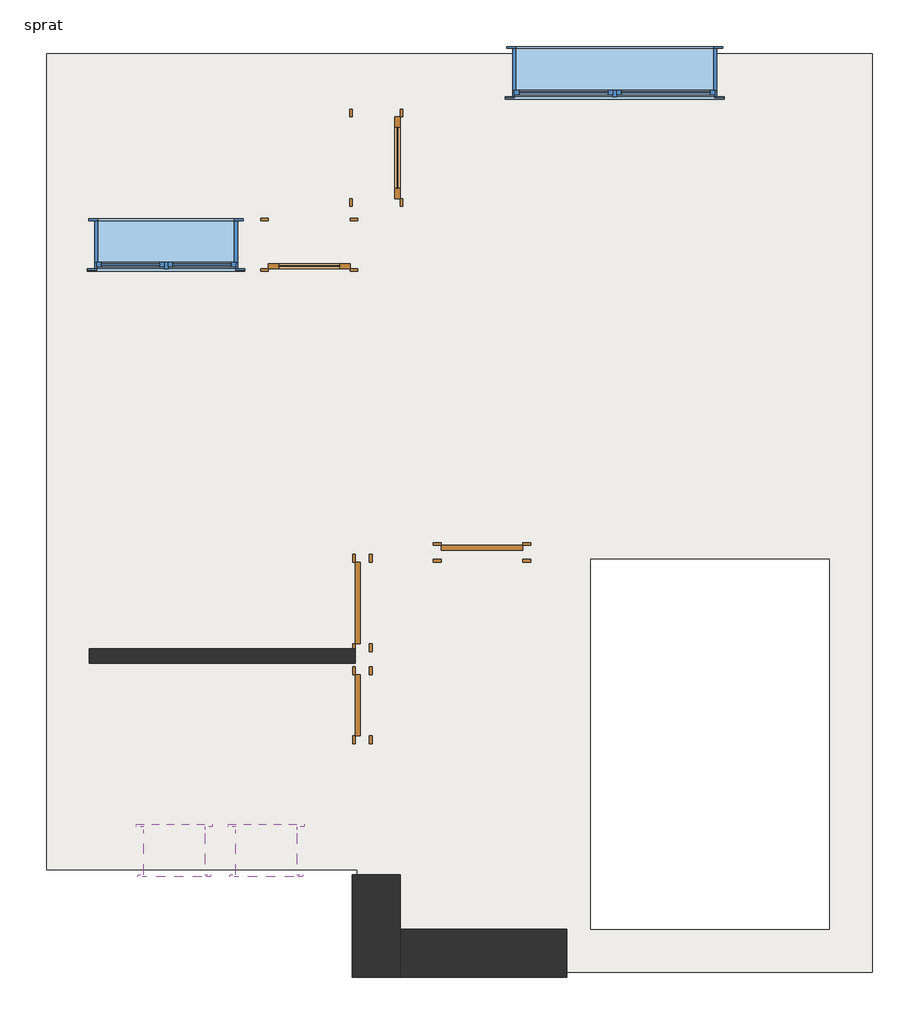
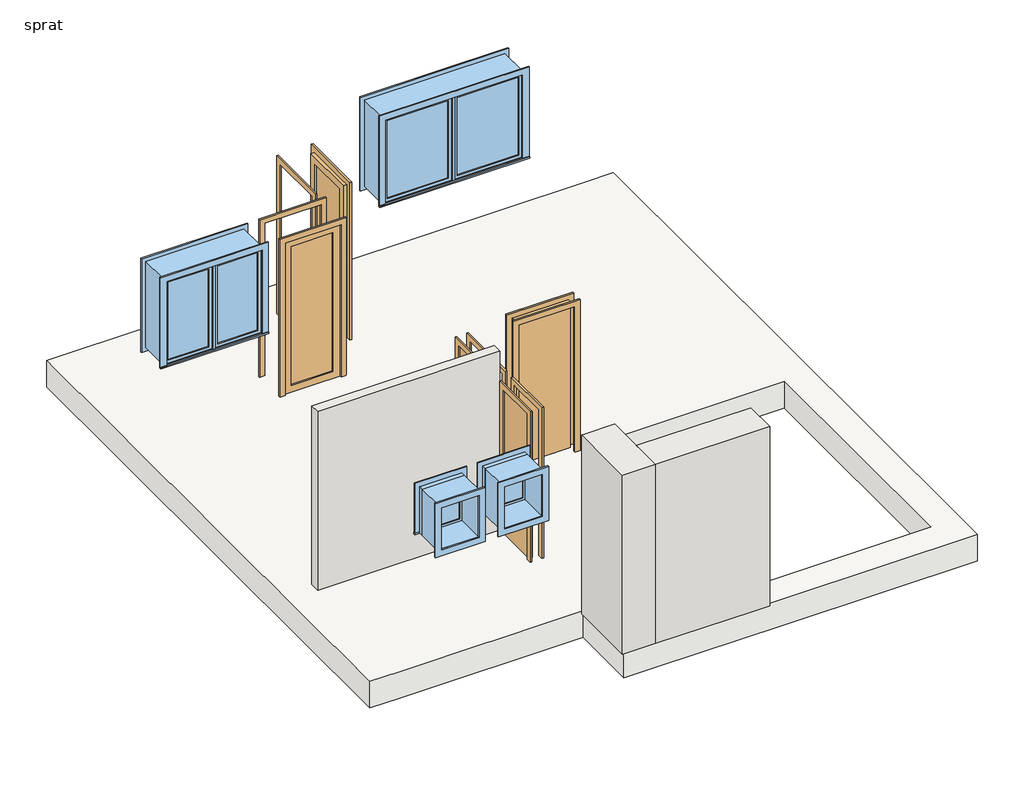
# One storey: 5 doors, 4 windows, 3 walls, 1 slab.
"""IFC4 building model written with IfcOpenShell, lengths in millimetres."""

import ifcopenshell
import ifcopenshell.guid

model = None  # the IFC model being written
_history = None  # IfcOwnerHistory: only IFC2X3 demands one
_inside = {}  # id of a spatial element -> (the spatial element, [elements in it])
_under = {}  # id of a project, library or spatial element -> (it, [spatial elements below it])
_declared = {}  # id of a project -> (the project, [libraries it declares])
_typed = {}  # id of a type object -> (the type object, [elements of that type])
_made_of = {}  # id of a material, layer set ... -> (it, [elements and type objects made of it])


def new_model(schema):
    """Start an empty IFC model of exactly this schema.

    Asked for "IFC4X3", IfcOpenShell would pick the latest addendum, in which some entities
    have other attributes; the version numbers below select the first issue.
    IFC2X3 requires an IfcOwnerHistory on every rooted entity: one is made here for all.
    """
    global model, _history
    if schema == "IFC4X3":
        model = ifcopenshell.file(schema_version=(4, 3, 0, 0))
    else:
        model = ifcopenshell.file(schema=schema)
    _inside.clear()
    _under.clear()
    _declared.clear()
    _typed.clear()
    _made_of.clear()
    _history = None
    if model.schema == "IFC2X3":
        org = make("IfcOrganization", Name="unknown")
        user = make(
            "IfcPersonAndOrganization",
            ThePerson=make("IfcPerson", FamilyName="unknown"),
            TheOrganization=org,
        )
        app = make(
            "IfcApplication",
            ApplicationDeveloper=org,
            Version="unknown",
            ApplicationFullName="unknown",
            ApplicationIdentifier="unknown",
        )
        _history = make(
            "IfcOwnerHistory",
            OwningUser=user,
            OwningApplication=app,
            ChangeAction="ADDED",
            CreationDate=0,
        )
    return model


def make(cls, **values):
    """One entity of the class cls with the attributes given. An attribute that is None is left unset."""
    return model.create_entity(
        cls, **{name: value for name, value in values.items() if value is not None}
    )


def rooted(cls, **values):
    """An entity with a GlobalId (a new one), such as an element, a storey or a relation."""
    return make(cls, GlobalId=ifcopenshell.guid.new(), OwnerHistory=_history, **values)


def si_unit(unit_type, name, prefix=None):
    """IfcSIUnit, for example si_unit("LENGTHUNIT", "METRE", prefix="MILLI")."""
    return make("IfcSIUnit", UnitType=unit_type, Prefix=prefix, Name=name)


def assignment(units):
    """IfcUnitAssignment: the units of a project."""
    return None if units is None else make("IfcUnitAssignment", Units=units)


def point(xyz):
    """IfcCartesianPoint."""
    return None if xyz is None else make("IfcCartesianPoint", Coordinates=xyz)


def direction(xyz):
    """IfcDirection."""
    return None if xyz is None else make("IfcDirection", DirectionRatios=xyz)


def frame(location, z_axis=None, x_axis=None):
    """IfcAxis2Placement3D, a coordinate frame: its origin and axes. An axis left out is left unset."""
    return make(
        "IfcAxis2Placement3D",
        Location=point(location),
        Axis=direction(z_axis),
        RefDirection=direction(x_axis),
    )


def origin():
    """The frame at (0, 0, 0) with its axes left unset."""
    return frame((0.0, 0.0, 0.0))


def origin_with_axes():
    """The frame at (0, 0, 0) with the z axis (0, 0, 1) and the x axis (1, 0, 0) written out."""
    return frame((0.0, 0.0, 0.0), z_axis=(0.0, 0.0, 1.0), x_axis=(1.0, 0.0, 0.0))


def place(relative_to, where):
    """IfcLocalPlacement: puts the frame where relative to a parent placement (None: the world)."""
    return make(
        "IfcLocalPlacement", PlacementRelTo=relative_to, RelativePlacement=where
    )


def context(
    kind, dimensions, precision=None, world=None, true_north=None, identifier=None
):
    """IfcGeometricRepresentationContext, for example the 3D "Model" context."""
    return make(
        "IfcGeometricRepresentationContext",
        ContextIdentifier=identifier,
        ContextType=kind,
        CoordinateSpaceDimension=dimensions,
        Precision=precision,
        WorldCoordinateSystem=world,
        TrueNorth=true_north,
    )


def project(units=None, contexts=None):
    """IfcProject with its units and contexts."""
    return rooted(
        "IfcProject",
        Name="project",
        RepresentationContexts=contexts,
        UnitsInContext=assignment(units),
    )


def spatial(cls, under=None, at=None, **own):
    """A site, building, storey or space (cls), placed at a placement, below another one or the project."""
    s = rooted(cls, ObjectPlacement=at, **own)
    if under is not None:
        _under.setdefault(under.id(), (under, []))[1].append(s)
    return s


def polyline(points):
    """IfcPolyline through the points."""
    return make("IfcPolyline", Points=[point(p) for p in points])


def outline(outer, holes=None, kind="AREA"):
    """IfcArbitraryClosedProfileDef: a profile drawn as a closed curve; with holes, ...WithVoids."""
    if holes is None:
        return make("IfcArbitraryClosedProfileDef", ProfileType=kind, OuterCurve=outer)
    return make(
        "IfcArbitraryProfileDefWithVoids",
        ProfileType=kind,
        OuterCurve=outer,
        InnerCurves=holes,
    )


def extrude(swept, where, along, depth):
    """IfcExtrudedAreaSolid: the profile swept, set in the frame where, extruded along a direction by depth."""
    return make(
        "IfcExtrudedAreaSolid",
        SweptArea=swept,
        Position=where,
        ExtrudedDirection=direction(along),
        Depth=depth,
    )


def faces_of(points, faces, orient=None, outer=None):
    """IfcFace entities. A face is a list of loops; a loop is a list of indices into points, from 0.

    orient and outer hold one flag for each loop. By default every Orientation is true, the
    first loop of a face is its IfcFaceOuterBound and the others are IfcFaceBound.
    """
    made = []
    for i, loops in enumerate(faces):
        bounds = []
        for j, loop in enumerate(loops):
            is_outer = j == 0 if outer is None else outer[i][j]
            bounds.append(
                make(
                    "IfcFaceOuterBound" if is_outer else "IfcFaceBound",
                    Bound=make("IfcPolyLoop", Polygon=[points[k] for k in loop]),
                    Orientation=True if orient is None else orient[i][j],
                )
            )
        made.append(make("IfcFace", Bounds=bounds))
    return made


def faceted_brep(points, faces, orient=None, outer=None, voids=None):
    """IfcFacetedBrep: a solid bounded by flat faces; with voids (closed shells), ...WithVoids."""
    shared = [point(p) for p in points]
    hull = make("IfcClosedShell", CfsFaces=faces_of(shared, faces, orient, outer))
    if voids is None:
        return make("IfcFacetedBrep", Outer=hull)
    return make(
        "IfcFacetedBrepWithVoids",
        Outer=hull,
        Voids=[
            make(cls, CfsFaces=faces_of(shared, fs, o, b)) for cls, fs, o, b in voids
        ],
    )


def shape(context_of_items, identifier, shape_type, items):
    """IfcShapeRepresentation: the items that make up one representation, for example the "Body"."""
    return make(
        "IfcShapeRepresentation",
        ContextOfItems=context_of_items,
        RepresentationIdentifier=identifier,
        RepresentationType=shape_type,
        Items=items,
    )


def source(mapping_origin, context_of_items, identifier, shape_type, items):
    """IfcRepresentationMap: a shape defined once, which mapped items show again and again."""
    return make(
        "IfcRepresentationMap",
        MappingOrigin=mapping_origin,
        MappedRepresentation=shape(context_of_items, identifier, shape_type, items),
    )


def transform(
    local_origin,
    x_axis=None,
    y_axis=None,
    z_axis=None,
    scale=None,
    scale2=None,
    scale3=None,
    uniform=True,
):
    """IfcCartesianTransformationOperator3D, or its non-uniform kind. x_axis, y_axis, z_axis: its Axis1, 2, 3."""
    if uniform:
        return make(
            "IfcCartesianTransformationOperator3D",
            Axis1=direction(x_axis),
            Axis2=direction(y_axis),
            LocalOrigin=point(local_origin),
            Scale=scale,
            Axis3=direction(z_axis),
        )
    return make(
        "IfcCartesianTransformationOperator3DnonUniform",
        Axis1=direction(x_axis),
        Axis2=direction(y_axis),
        LocalOrigin=point(local_origin),
        Scale=scale,
        Axis3=direction(z_axis),
        Scale2=scale2,
        Scale3=scale3,
    )


def mapped(mapping_source, mapping_target):
    """IfcMappedItem: shows the shape of a source again, moved by a transform."""
    return make(
        "IfcMappedItem", MappingSource=mapping_source, MappingTarget=mapping_target
    )


def made_of(thing, what):
    """Note that an element or type object is made of a material, layer set ...; save() writes the relation."""
    if what is not None:
        _made_of.setdefault(what.id(), (what, []))[1].append(thing)
    return thing


def element(
    cls,
    number,
    at=None,
    inside=None,
    cuts=None,
    type_object=None,
    material=None,
    context=None,
    identifier="Body",
    shape_type=None,
    held_by="IfcProductDefinitionShape",
    body=None,
    shapes=None,
    **own,
):
    """One element of the class cls, such as IfcWall. Its Tag is "e" and its number.

    at: its placement. inside: the storey or other place that contains it. cuts: it is an
    opening in that element (IfcRelVoidsElement). A single representation is given by context,
    identifier, shape_type and body (its items); several are given by shapes. held_by: the class
    of the entity that holds the representations. save() writes the other relations.
    """
    e = rooted(cls, Tag="e%d" % number, ObjectPlacement=at, **own)
    if body is not None:
        shapes = [shape(context, identifier, shape_type, body)]
    if shapes is not None:
        e.Representation = make(held_by, Representations=shapes)
    if inside is not None:
        _inside.setdefault(inside.id(), (inside, []))[1].append(e)
    if cuts is not None:
        rooted(
            "IfcRelVoidsElement", RelatingBuildingElement=cuts, RelatedOpeningElement=e
        )
    if type_object is not None:
        _typed.setdefault(type_object.id(), (type_object, []))[1].append(e)
    return made_of(e, material)


def aggregate(whole, parts):
    """IfcRelAggregates: a whole, such as a stair, and the parts it consists of."""
    return rooted("IfcRelAggregates", RelatingObject=whole, RelatedObjects=parts)


def save(model, path):
    """Write the relations noted so far, then the file.

    IfcRelAggregates (storeys below a building ...), IfcRelContainedInSpatialStructure (elements
    in a storey), IfcRelDefinesByType, IfcRelAssociatesMaterial and IfcRelDeclares: one each for
    every whole, place, type object, material and project.
    """
    for whole, parts in _under.values():
        aggregate(whole, parts)
    for where, things in _inside.values():
        rooted(
            "IfcRelContainedInSpatialStructure",
            RelatedElements=things,
            RelatingStructure=where,
        )
    for kind, things in _typed.values():
        rooted("IfcRelDefinesByType", RelatedObjects=things, RelatingType=kind)
    for what, things in _made_of.values():
        rooted("IfcRelAssociatesMaterial", RelatedObjects=things, RelatingMaterial=what)
    for by, libraries in _declared.values():
        rooted("IfcRelDeclares", RelatingContext=by, RelatedDefinitions=libraries)
    model.write(path)


def m_single_glass_1_80_230_0915_x_2134mm_c8014b70(model_context):
    return source(origin(), model_context, "Body", "SweptSolid", [
        extrude(outline(polyline([(2300.0, 400.0), (0.0, 400.0), (0.0, 476.0), (2376.0, 476.0), (2376.0, -476.0), (0.0, -476.0), (0.0, -400.0), (2300.0, -400.0), (2300.0, 400.0)])), frame((0.0, 235.0, 0.0), z_axis=(0.0, 1.0, 0.0), x_axis=(0.0, 0.0, 1.0)), (0.0, 0.0, 1.0), 25.0),
        extrude(outline(polyline([(2300.0, 400.0), (0.0, 400.0), (0.0, 476.0), (2376.0, 476.0), (2376.0, -476.0), (0.0, -476.0), (0.0, -400.0), (2300.0, -400.0), (2300.0, 400.0)])), frame((0.0, -260.0, 0.0), z_axis=(0.0, 1.0, 0.0), x_axis=(0.0, 0.0, 1.0)), (0.0, 0.0, 1.0), 25.0),
        extrude(outline(polyline([(298.0, -206.425), (298.0, -212.775), (-298.0, -212.775), (-298.0, -206.425), (298.0, -206.425)])), frame((0.0, 0.0, 102.0), z_axis=(0.0, 0.0, 1.0), x_axis=(1.0, 0.0, 0.0)), (0.0, 0.0, 1.0), 2096.0),
        extrude(outline(polyline([(2300.0, 400.0), (2300.0, -400.0), (0.0, -400.0), (0.0, 400.0), (2300.0, 400.0)]), holes=[polyline([(2198.0, -298.0), (2198.0, 298.0), (102.0, 298.0), (102.0, -298.0), (2198.0, -298.0)])]), frame((0.0, -235.0, 0.0), z_axis=(0.0, 1.0, 0.0), x_axis=(0.0, 0.0, 1.0)), (0.0, 0.0, 1.0), 51.0),
    ])


def single_flush_60x220_02381f98(model_context):
    return source(origin(), model_context, "Body", "SweptSolid", [
        extrude(outline(polyline([(2276.2, -376.2), (0.0, -376.2), (0.0, -300.0), (2200.0, -300.0), (2200.0, 300.0), (0.0, 300.0), (0.0, 376.2), (2276.2, 376.2), (2276.2, -376.2)])), frame((0.0, 70.0, 0.0), z_axis=(0.0, 1.0, 0.0), x_axis=(0.0, 0.0, 1.0)), (0.0, 0.0, 1.0), 25.4),
        extrude(outline(polyline([(2276.2, 376.2), (2276.2, -376.2), (0.0, -376.2), (0.0, -300.0), (2200.0, -300.0), (2200.0, 300.0), (0.0, 300.0), (0.0, 376.2), (2276.2, 376.2)])), frame((0.0, -95.4, 0.0), z_axis=(0.0, 1.0, 0.0), x_axis=(0.0, 0.0, 1.0)), (0.0, 0.0, 1.0), 25.4),
        extrude(outline(polyline([(300.0, 19.2), (-300.0, 19.2), (-300.0, 70.0), (300.0, 70.0), (300.0, 19.2)])), origin_with_axes(), (0.0, 0.0, 1.0), 2200.0),
    ])


def single_flush_80x220_2d44d3fd(model_context):
    return source(origin(), model_context, "Body", "SweptSolid", [
        extrude(outline(polyline([(2276.2, -476.2), (0.0, -476.2), (0.0, -400.0), (2200.0, -400.0), (2200.0, 400.0), (0.0, 400.0), (0.0, 476.2), (2276.2, 476.2), (2276.2, -476.2)])), frame((0.0, -95.4, 0.0), z_axis=(0.0, 1.0, 0.0), x_axis=(0.0, 0.0, 1.0)), (0.0, 0.0, 1.0), 25.4),
        extrude(outline(polyline([(2276.2, 476.2), (2276.2, -476.2), (0.0, -476.2), (0.0, -400.0), (2200.0, -400.0), (2200.0, 400.0), (0.0, 400.0), (0.0, 476.2), (2276.2, 476.2)])), frame((0.0, 70.0, 0.0), z_axis=(0.0, 1.0, 0.0), x_axis=(0.0, 0.0, 1.0)), (0.0, 0.0, 1.0), 25.4),
        extrude(outline(polyline([(400.0, -19.2), (400.0, -70.0), (-400.0, -70.0), (-400.0, -19.2), (400.0, -19.2)])), origin_with_axes(), (0.0, 0.0, 1.0), 2200.0),
    ])


def m_casement_dbl_with_trim_8eed7465(model_context):
    return source(origin(), model_context, "Body", "SweptSolid", [
        extrude(outline(polyline([(63.5, 219.175), (936.5, 219.175), (936.5, 206.475), (63.5, 206.475), (63.5, 219.175)])), frame((0.0, 0.0, 978.5), z_axis=(0.0, 0.0, 1.0), x_axis=(1.0, 0.0, 0.0)), (0.0, 0.0, 1.0), 1173.0),
        extrude(outline(polyline([(2195.95, 19.05), (934.05, 19.05), (934.05, 980.95), (2195.95, 980.95), (2195.95, 19.05)]), holes=[polyline([(2151.5, 63.5), (2151.5, 936.5), (978.5, 936.5), (978.5, 63.5), (2151.5, 63.5)])]), frame((0.0, 190.6, 0.0), z_axis=(0.0, 1.0, 0.0), x_axis=(0.0, 0.0, 1.0)), (0.0, 0.0, 1.0), 44.45),
        extrude(outline(polyline([(-1069.95, 279.75), (1069.95, 279.75), (1069.95, 254.05), (-1069.95, 254.05), (-1069.95, 279.75)])), frame((0.0, 0.0, 915.0), z_axis=(0.0, 0.0, 1.0), x_axis=(1.0, 0.0, 0.0)), (0.0, 0.0, 1.0), 19.05),
        extrude(outline(polyline([(2195.95, -980.95), (2195.95, 980.95), (934.05, 980.95), (934.05, 1069.95), (2284.95, 1069.95), (2284.95, -1069.95), (934.05, -1069.95), (934.05, -980.95), (2195.95, -980.95)])), frame((0.0, 254.05, 0.0), z_axis=(0.0, 1.0, 0.0), x_axis=(0.0, 0.0, 1.0)), (0.0, 0.0, 1.0), 13.0),
        extrude(outline(polyline([(2272.25, 1057.25), (2272.25, -1057.25), (857.75, -1057.25), (857.75, 1057.25), (2272.25, 1057.25)]), holes=[polyline([(2183.25, 968.25), (946.75, 968.25), (946.75, -968.25), (2183.25, -968.25), (2183.25, 968.25)])]), frame((0.0, -234.95, 0.0), z_axis=(0.0, 1.0, 0.0), x_axis=(0.0, 0.0, 1.0)), (0.0, 0.0, 1.0), 19.0),
        extrude(outline(polyline([(-63.5, 206.475), (-936.5, 206.475), (-936.5, 219.175), (-63.5, 219.175), (-63.5, 206.475)])), frame((0.0, 0.0, 978.5), z_axis=(0.0, 0.0, 1.0), x_axis=(1.0, 0.0, 0.0)), (0.0, 0.0, 1.0), 1173.0),
        extrude(outline(polyline([(2195.95, -980.95), (934.05, -980.95), (934.05, -19.05), (2195.95, -19.05), (2195.95, -980.95)]), holes=[polyline([(2151.5, -936.5), (2151.5, -63.5), (978.5, -63.5), (978.5, -936.5), (2151.5, -936.5)])]), frame((0.0, 190.6, 0.0), z_axis=(0.0, 1.0, 0.0), x_axis=(0.0, 0.0, 1.0)), (0.0, 0.0, 1.0), 44.45),
        extrude(outline(polyline([(2215.0, -1000.0), (915.0, -1000.0), (915.0, 1000.0), (2215.0, 1000.0), (2215.0, -1000.0)]), holes=[polyline([(2183.25, -968.25), (2183.25, 968.25), (946.75, 968.25), (946.75, -968.25), (2183.25, -968.25)])]), frame((0.0, -215.95, 0.0), z_axis=(0.0, 1.0, 0.0), x_axis=(0.0, 0.0, 1.0)), (0.0, 0.0, 1.0), 406.55),
        extrude(outline(polyline([(2215.0, 1000.0), (2215.0, -1000.0), (915.0, -1000.0), (915.0, 1000.0), (2215.0, 1000.0)]), holes=[polyline([(2195.95, 980.95), (934.05, 980.95), (934.05, -980.95), (2195.95, -980.95), (2195.95, 980.95)])]), frame((0.0, 190.6, 0.0), z_axis=(0.0, 1.0, 0.0), x_axis=(0.0, 0.0, 1.0)), (0.0, 0.0, 1.0), 63.45),
        extrude(outline(polyline([(19.05, 190.6), (-19.05, 190.6), (-19.05, 254.1), (19.05, 254.1), (19.05, 190.6)])), frame((0.0, 0.0, 934.05), z_axis=(0.0, 0.0, 1.0), x_axis=(1.0, 0.0, 0.0)), (0.0, 0.0, 1.0), 1261.9),
    ])


def m_casement_dbl_with_trim_1220_x_1220mm_9dea78b8(model_context):
    return source(origin(), model_context, "Body", "SweptSolid", [
        extrude(outline(polyline([(63.5, 219.175), (636.5, 219.175), (636.5, 206.475), (63.5, 206.475), (63.5, 219.175)])), frame((0.0, 0.0, 978.5), z_axis=(0.0, 0.0, 1.0), x_axis=(1.0, 0.0, 0.0)), (0.0, 0.0, 1.0), 1173.0),
        extrude(outline(polyline([(2195.95, 19.05), (934.05, 19.05), (934.05, 680.95), (2195.95, 680.95), (2195.95, 19.05)]), holes=[polyline([(2151.5, 63.5), (2151.5, 636.5), (978.5, 636.5), (978.5, 63.5), (2151.5, 63.5)])]), frame((0.0, 190.6, 0.0), z_axis=(0.0, 1.0, 0.0), x_axis=(0.0, 0.0, 1.0)), (0.0, 0.0, 1.0), 44.45),
        extrude(outline(polyline([(-769.95, 279.75), (769.95, 279.75), (769.95, 254.05), (-769.95, 254.05), (-769.95, 279.75)])), frame((0.0, 0.0, 915.0), z_axis=(0.0, 0.0, 1.0), x_axis=(1.0, 0.0, 0.0)), (0.0, 0.0, 1.0), 19.05),
        extrude(outline(polyline([(2195.95, -680.95), (2195.95, 680.95), (934.05, 680.95), (934.05, 769.95), (2284.95, 769.95), (2284.95, -769.95), (934.05, -769.95), (934.05, -680.95), (2195.95, -680.95)])), frame((0.0, 254.05, 0.0), z_axis=(0.0, 1.0, 0.0), x_axis=(0.0, 0.0, 1.0)), (0.0, 0.0, 1.0), 13.0),
        extrude(outline(polyline([(2272.25, 757.25), (2272.25, -757.25), (857.75, -757.25), (857.75, 757.25), (2272.25, 757.25)]), holes=[polyline([(2183.25, 668.25), (946.75, 668.25), (946.75, -668.25), (2183.25, -668.25), (2183.25, 668.25)])]), frame((0.0, -234.95, 0.0), z_axis=(0.0, 1.0, 0.0), x_axis=(0.0, 0.0, 1.0)), (0.0, 0.0, 1.0), 19.0),
        extrude(outline(polyline([(-63.5, 206.475), (-636.5, 206.475), (-636.5, 219.175), (-63.5, 219.175), (-63.5, 206.475)])), frame((0.0, 0.0, 978.5), z_axis=(0.0, 0.0, 1.0), x_axis=(1.0, 0.0, 0.0)), (0.0, 0.0, 1.0), 1173.0),
        extrude(outline(polyline([(2195.95, -680.95), (934.05, -680.95), (934.05, -19.05), (2195.95, -19.05), (2195.95, -680.95)]), holes=[polyline([(2151.5, -636.5), (2151.5, -63.5), (978.5, -63.5), (978.5, -636.5), (2151.5, -636.5)])]), frame((0.0, 190.6, 0.0), z_axis=(0.0, 1.0, 0.0), x_axis=(0.0, 0.0, 1.0)), (0.0, 0.0, 1.0), 44.45),
        extrude(outline(polyline([(2215.0, -700.0), (915.0, -700.0), (915.0, 700.0), (2215.0, 700.0), (2215.0, -700.0)]), holes=[polyline([(2183.25, -668.25), (2183.25, 668.25), (946.75, 668.25), (946.75, -668.25), (2183.25, -668.25)])]), frame((0.0, -215.95, 0.0), z_axis=(0.0, 1.0, 0.0), x_axis=(0.0, 0.0, 1.0)), (0.0, 0.0, 1.0), 406.55),
        extrude(outline(polyline([(2215.0, 700.0), (2215.0, -700.0), (915.0, -700.0), (915.0, 700.0), (2215.0, 700.0)]), holes=[polyline([(2195.95, 680.95), (934.05, 680.95), (934.05, -680.95), (2195.95, -680.95), (2195.95, 680.95)])]), frame((0.0, 190.6, 0.0), z_axis=(0.0, 1.0, 0.0), x_axis=(0.0, 0.0, 1.0)), (0.0, 0.0, 1.0), 63.45),
        extrude(outline(polyline([(19.05, 190.6), (-19.05, 190.6), (-19.05, 254.1), (19.05, 254.1), (19.05, 190.6)])), frame((0.0, 0.0, 934.05), z_axis=(0.0, 0.0, 1.0), x_axis=(1.0, 0.0, 0.0)), (0.0, 0.0, 1.0), 1261.9),
    ])


def m_casement_with_trim_bbf66914(model_context):
    return source(origin(), model_context, "Body", "SweptSolid", [
        extrude(outline(polyline([(-369.95, 260.7), (369.95, 260.7), (369.95, 235.0), (-369.95, 235.0), (-369.95, 260.7)])), frame((0.0, 0.0, 915.0), z_axis=(0.0, 0.0, 1.0), x_axis=(1.0, 0.0, 0.0)), (0.0, 0.0, 1.0), 19.05),
        extrude(outline(polyline([(1595.95, -280.95), (1595.95, 280.95), (934.05, 280.95), (934.05, 369.95), (1684.95, 369.95), (1684.95, -369.95), (934.05, -369.95), (934.05, -280.95), (1595.95, -280.95)])), frame((0.0, 235.0, 0.0), z_axis=(0.0, 1.0, 0.0), x_axis=(0.0, 0.0, 1.0)), (0.0, 0.0, 1.0), 13.0),
        extrude(outline(polyline([(1672.25, 357.25), (1672.25, -357.25), (857.75, -357.25), (857.75, 357.25), (1672.25, 357.25)]), holes=[polyline([(1583.25, 268.25), (946.75, 268.25), (946.75, -268.25), (1583.25, -268.25), (1583.25, 268.25)])]), frame((0.0, -254.0, 0.0), z_axis=(0.0, 1.0, 0.0), x_axis=(0.0, 0.0, 1.0)), (0.0, 0.0, 1.0), 19.0),
        extrude(outline(polyline([(236.5, 187.425), (-236.5, 187.425), (-236.5, 200.125), (236.5, 200.125), (236.5, 187.425)])), frame((0.0, 0.0, 978.5), z_axis=(0.0, 0.0, 1.0), x_axis=(1.0, 0.0, 0.0)), (0.0, 0.0, 1.0), 573.0),
        extrude(outline(polyline([(1595.95, -280.95), (934.05, -280.95), (934.05, 280.95), (1595.95, 280.95), (1595.95, -280.95)]), holes=[polyline([(1551.5, -236.5), (1551.5, 236.5), (978.5, 236.5), (978.5, -236.5), (1551.5, -236.5)])]), frame((0.0, 171.55, 0.0), z_axis=(0.0, 1.0, 0.0), x_axis=(0.0, 0.0, 1.0)), (0.0, 0.0, 1.0), 44.45),
        extrude(outline(polyline([(1615.0, -300.0), (915.0, -300.0), (915.0, 300.0), (1615.0, 300.0), (1615.0, -300.0)]), holes=[polyline([(1583.25, -268.25), (1583.25, 268.25), (946.75, 268.25), (946.75, -268.25), (1583.25, -268.25)])]), frame((0.0, -235.0, 0.0), z_axis=(0.0, 1.0, 0.0), x_axis=(0.0, 0.0, 1.0)), (0.0, 0.0, 1.0), 406.55),
        extrude(outline(polyline([(1615.0, 300.0), (1615.0, -300.0), (915.0, -300.0), (915.0, 300.0), (1615.0, 300.0)]), holes=[polyline([(1595.95, 280.95), (934.05, 280.95), (934.05, -280.95), (1595.95, -280.95), (1595.95, 280.95)])]), frame((0.0, 171.55, 0.0), z_axis=(0.0, 1.0, 0.0), x_axis=(0.0, 0.0, 1.0)), (0.0, 0.0, 1.0), 63.45),
    ])


model = new_model("IFC4")

# Units and contexts
model_context = context("Model", 3, world=origin())
ifc_project = project(units=[si_unit("LENGTHUNIT", "METRE", prefix="MILLI")], contexts=[model_context])

# Site, building, storey
site = spatial("IfcSite", under=ifc_project)
building = spatial("IfcBuilding", under=site)
storey = spatial("IfcBuildingStorey", under=building, Name="sprat", Elevation=3040.0)

# Doors
placement = place(None, origin())
m_single_glass_1_80_230_0915_x_2134mm_shape = m_single_glass_1_80_230_0915_x_2134mm_c8014b70(model_context)
element("IfcDoor", 1, ObjectType="M_Single-Glass 1 80-230 : 0915 x 2134mm", at=placement, inside=storey, context=model_context, shape_type="MappedRepresentation", body=[
    mapped(m_single_glass_1_80_230_0915_x_2134mm_shape, transform((-3277.7764394, 4115.9211451, 3040.0), x_axis=(0.0, 1.0, 0.0), y_axis=(-1.0, 0.0, 0.0), z_axis=(0.0, 0.0, 1.0))),
])
element("IfcDoor", 2, ObjectType="M_Single-Glass 1 80-230 : 0915 x 2134mm", at=placement, inside=storey, context=model_context, shape_type="MappedRepresentation", body=[
    mapped(m_single_glass_1_80_230_0915_x_2134mm_shape, transform((-3932.8264394, 3265.8242855, 3040.0), x_axis=(1.0, 0.0, 0.0), y_axis=(0.0, 1.0, 0.0), z_axis=(0.0, 0.0, 1.0))),
])
single_flush_60x220_shape = single_flush_60x220_02381f98(model_context)
element("IfcDoor", 3, ObjectType="Single-Flush : 60x220", at=placement, inside=storey, context=model_context, shape_type="MappedRepresentation", body=[
    mapped(single_flush_60x220_shape, transform((-3412.7764394, -1241.6757145, 3040.0), x_axis=(0.0, 1.0, 0.0), y_axis=(-1.0, 0.0, 0.0), z_axis=(0.0, 0.0, 1.0))),
])
single_flush_80x220_shape = single_flush_80x220_2d44d3fd(model_context)
element("IfcDoor", 4, ObjectType="Single-Flush : 80x220", at=placement, inside=storey, context=model_context, shape_type="MappedRepresentation", body=[
    mapped(single_flush_80x220_shape, transform((-3412.7764394, -239.1757145, 3040.0), x_axis=(0.0, -1.0, 0.0), y_axis=(1.0, 0.0, 0.0), z_axis=(0.0, 0.0, 1.0))),
])
element("IfcDoor", 5, ObjectType="Single-Flush : 80x220", at=placement, inside=storey, context=model_context, shape_type="MappedRepresentation", body=[
    mapped(single_flush_80x220_shape, transform((-2242.7764394, 255.8242855, 3040.0), x_axis=(-1.0, 0.0, 0.0), y_axis=(0.0, -1.0, 0.0), z_axis=(0.0, 0.0, 1.0))),
])

# Slab
element("IfcSlab", 6, at=placement, inside=storey, context=model_context, shape_type="Brep", body=[
    faceted_brep([(-6502.7764394, 5135.8242855, 2640.0), (-3512.7764394, 5135.8242855, 2640.0), (1157.2235606, 5135.8242855, 2640.0), (1577.2235606, 5135.8242855, 2640.0), (1577.2235606, -3434.1757145, 2640.0), (1577.2235606, -3854.1757145, 2640.0), (-1177.7764394, -3854.1757145, 2640.0), (-3012.7764394, -3854.1757145, 2640.0), (-3462.7764394, -3854.1757145, 2640.0), (-3462.7764394, -2849.1757145, 2640.0), (-3512.7764394, -2849.1757145, 2640.0), (-6082.7764394, -2849.1757145, 2640.0), (-6502.7764394, -2849.1757145, 2640.0), (-6502.7764394, 635.8242855, 2640.0), (-6502.7764394, 3500.8242855, 2640.0), (1157.2235606, 185.8242855, 2640.0), (-1177.7764394, 185.8242855, 2640.0), (-1177.7764394, -3434.1757145, 2640.0), (1157.2235606, -3434.1757145, 2640.0), (-6502.7764394, 5135.8242855, 3040.0), (-6502.7764394, 3500.8242855, 3040.0), (-6502.7764394, 635.8242855, 3040.0), (-6502.7764394, -2849.1757145, 3040.0), (-6082.7764394, -2849.1757145, 3040.0), (-3512.7764394, -2849.1757145, 3040.0), (-3462.7764394, -2849.1757145, 3040.0), (-3462.7764394, -3854.1757145, 3040.0), (-3012.7764394, -3854.1757145, 3040.0), (-1177.7764394, -3854.1757145, 3040.0), (1577.2235606, -3854.1757145, 3040.0), (1577.2235606, -3434.1757145, 3040.0), (1577.2235606, 5135.8242855, 3040.0), (1157.2235606, 5135.8242855, 3040.0), (-3512.7764394, 5135.8242855, 3040.0), (1157.2235606, 185.8242855, 3040.0), (1157.2235606, -3434.1757145, 3040.0), (-1177.7764394, -3434.1757145, 3040.0), (-1177.7764394, 185.8242855, 3040.0)], [[[0, 1, 2, 3, 4, 5, 6, 7, 8, 9, 10, 11, 12, 13, 14], [15, 16, 17, 18]], [[19, 20, 21, 22, 23, 24, 25, 26, 27, 28, 29, 30, 31, 32, 33], [34, 35, 36, 37]], [[3, 2, 1, 0, 19, 33, 32, 31]], [[5, 4, 3, 31, 30, 29]], [[8, 7, 6, 5, 29, 28, 27, 26]], [[9, 8, 26, 25]], [[12, 11, 10, 9, 25, 24, 23, 22]], [[0, 14, 13, 12, 22, 21, 20, 19]], [[16, 15, 34, 37]], [[17, 16, 37, 36]], [[18, 17, 36, 35]], [[15, 18, 35, 34]]]),
])

# Walls
element("IfcWall", 7, at=placement, inside=storey, context=model_context, shape_type="SweptSolid", body=[
    extrude(outline(polyline([(-3482.7764394, -829.1757145), (-6082.7764394, -829.1757145), (-6082.7764394, -689.1757145), (-3482.7764394, -689.1757145), (-3482.7764394, -829.1757145)])), frame((0.0, 0.0, 3040.0), z_axis=(0.0, 0.0, 1.0), x_axis=(1.0, 0.0, 0.0)), (0.0, 0.0, 1.0), 2700.0),
])
element("IfcWall", 8, at=placement, inside=storey, context=model_context, shape_type="Brep", body=[
    faceted_brep([(-3512.7764394, -2899.1757145, 3040.0), (-3512.7764394, -3904.1757145, 3040.0), (-3512.7764394, -3904.1757145, 5740.0), (-3512.7764394, -2899.1757145, 5740.0), (-3042.7764394, -2899.1757145, 3040.0), (-3042.7764394, -2899.1757145, 5740.0), (-3042.7764394, -3434.1757145, 5740.0), (-3042.7764394, -3904.1757145, 5740.0), (-3042.7764394, -3904.1757145, 3040.0), (-3042.7764394, -3434.1757145, 3040.0), (-3482.7764394, -2899.1757145, 3040.0), (-3482.7764394, -2899.1757145, 5740.0)], [[[0, 1, 2, 3]], [[4, 5, 6, 7, 8, 9]], [[1, 0, 10, 4, 9, 8]], [[3, 2, 7, 6, 5, 11]], [[0, 3, 11, 5, 4, 10]], [[2, 1, 8, 7]]]),
])
element("IfcWall", 9, at=placement, inside=storey, context=model_context, shape_type="Brep", body=[
    faceted_brep([(-1412.7764394, -3434.1757145, 3040.0), (-3042.7764394, -3434.1757145, 3040.0), (-3042.7764394, -3434.1757145, 5740.0), (-1412.7764394, -3434.1757145, 5740.0), (-1412.7764394, -3904.1757145, 3040.0), (-1412.7764394, -3904.1757145, 5740.0), (-3042.7764394, -3904.1757145, 5740.0), (-3042.7764394, -3904.1757145, 3040.0), (-1647.7764394, -3904.1757145, 3040.0)], [[[0, 1, 2, 3]], [[4, 5, 6, 7, 8]], [[1, 0, 4, 8, 7]], [[3, 2, 6, 5]], [[0, 3, 5, 4]], [[2, 1, 7, 6]]]),
])

# Windows
m_casement_dbl_with_trim_shape = m_casement_dbl_with_trim_8eed7465(model_context)
element("IfcWindow", 10, ObjectType="M_Casement Dbl with Trim", at=placement, inside=storey, context=model_context, shape_type="MappedRepresentation", body=[
    mapped(m_casement_dbl_with_trim_shape, transform((-942.7764394, 4969.8742855, 3125.0), x_axis=(-1.0, 0.0, 0.0), y_axis=(0.0, -1.0, 0.0), z_axis=(0.0, 0.0, 1.0))),
])
m_casement_dbl_with_trim_1220_x_1220mm_shape = m_casement_dbl_with_trim_1220_x_1220mm_9dea78b8(model_context)
element("IfcWindow", 11, ObjectType="M_Casement Dbl with Trim : 1220 x 1220mm", at=placement, inside=storey, context=model_context, shape_type="MappedRepresentation", body=[
    mapped(m_casement_dbl_with_trim_1220_x_1220mm_shape, transform((-5332.8264394, 3284.8742855, 3143.75), x_axis=(-1.0, 0.0, 0.0), y_axis=(0.0, -1.0, 0.0), z_axis=(0.0, 0.0, 1.0))),
])
m_casement_with_trim_shape = m_casement_with_trim_bbf66914(model_context)
element("IfcWindow", 12, ObjectType="M_Casement with Trim", at=placement, inside=storey, context=model_context, shape_type="MappedRepresentation", body=[
    mapped(m_casement_with_trim_shape, transform((-4352.7764394, -2664.1757145, 3775.0), x_axis=(1.0, 0.0, 0.0), y_axis=(0.0, 1.0, 0.0), z_axis=(0.0, 0.0, 1.0))),
])
element("IfcWindow", 13, ObjectType="M_Casement with Trim", at=placement, inside=storey, context=model_context, shape_type="MappedRepresentation", body=[
    mapped(m_casement_with_trim_shape, transform((-5252.7764394, -2664.1757145, 3775.0), x_axis=(1.0, 0.0, 0.0), y_axis=(0.0, 1.0, 0.0), z_axis=(0.0, 0.0, 1.0))),
])

save(model, "model.ifc")
